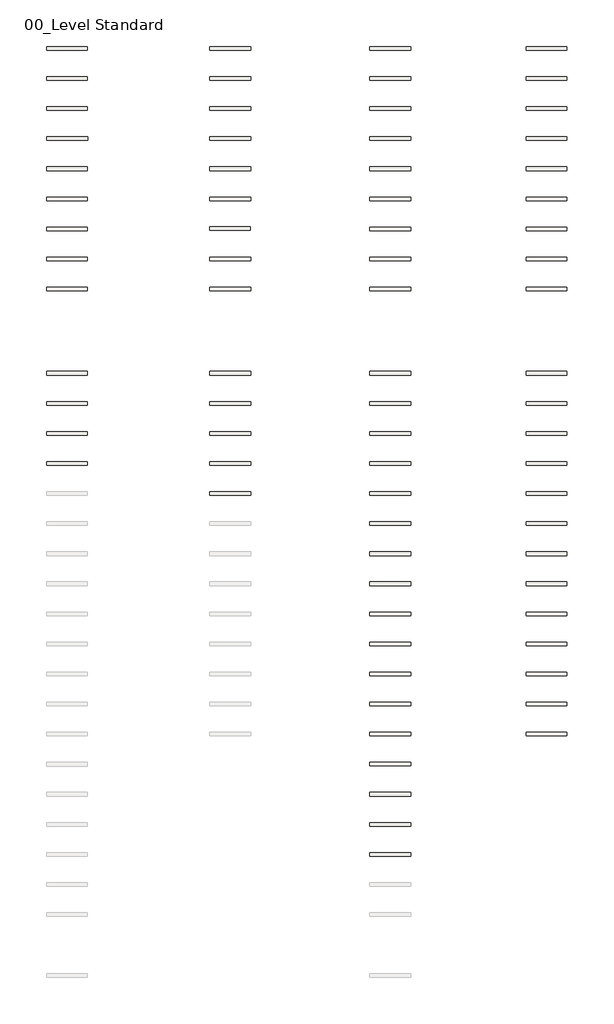
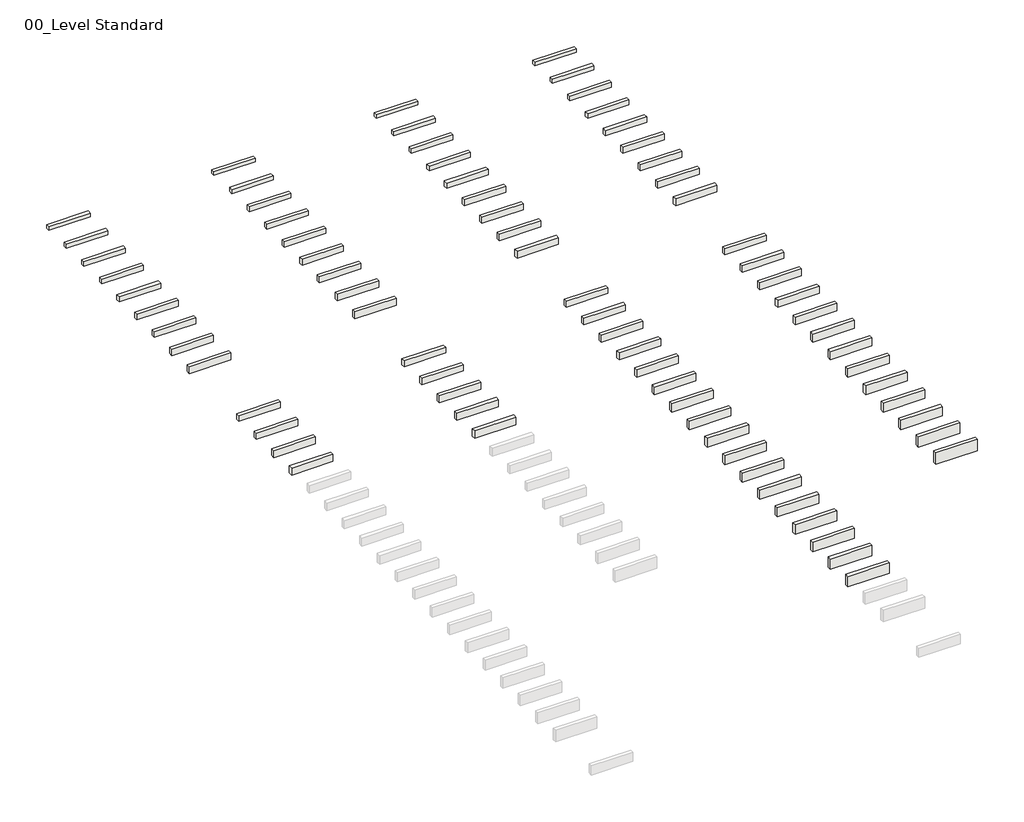
# One storey, part 3 of 3: 48 roofs, 27 slabs.
"""IFC4 building model written with IfcOpenShell, lengths in millimetres."""

from ifc_helpers import new_model, si_unit, frame, origin, origin_with_axes, place, context, project, spatial, polyline, outline, extrude, element, save

model = new_model("IFC4")

# Units and contexts
model_context = context("Model", 3, world=origin())
ifc_project = project(units=[si_unit("LENGTHUNIT", "METRE", prefix="MILLI")], contexts=[model_context])

# Site, building, storey
site = spatial("IfcSite", under=ifc_project)
building = spatial("IfcBuilding", under=site)
storey = spatial("IfcBuildingStorey", under=building, Name="00_Level Standard", Elevation=0.0)

# Roofs
placement = place(None, origin())
element("IfcRoof", 1, ObjectType="060-03s-1-TL", at=placement, inside=storey, context=model_context, shape_type="SweptSolid", body=[
    extrude(outline(polyline([(9291.3333321, 13446.5708866), (9971.3333321, 13446.5708866), (9971.3333321, 13386.5708866), (9291.3333321, 13386.5708866), (9291.3333321, 13446.5708866)])), origin_with_axes(), (0.0, 0.0, 1.0), 60.0),
])
element("IfcRoof", 2, ObjectType="060-03s-1-TT", at=placement, inside=storey, context=model_context, shape_type="SweptSolid", body=[
    extrude(outline(polyline([(11891.3333321, 13446.5708866), (12571.3333321, 13446.5708866), (12571.3333321, 13386.5708866), (11891.3333321, 13386.5708866), (11891.3333321, 13446.5708866)])), origin_with_axes(), (0.0, 0.0, 1.0), 60.0),
])
element("IfcRoof", 3, ObjectType="070-03s-1-TL", at=placement, inside=storey, context=model_context, shape_type="SweptSolid", body=[
    extrude(outline(polyline([(9291.3333321, 12946.5708866), (9971.3333321, 12946.5708866), (9971.3333321, 12886.5708866), (9291.3333321, 12886.5708866), (9291.3333321, 12946.5708866)])), origin_with_axes(), (0.0, 0.0, 1.0), 70.0),
])
element("IfcRoof", 4, ObjectType="070-03s-1-TT", at=placement, inside=storey, context=model_context, shape_type="SweptSolid", body=[
    extrude(outline(polyline([(11891.3333321, 12946.5708866), (12571.3333321, 12946.5708866), (12571.3333321, 12886.5708866), (11891.3333321, 12886.5708866), (11891.3333321, 12946.5708866)])), origin_with_axes(), (0.0, 0.0, 1.0), 70.0),
])
element("IfcRoof", 5, ObjectType="080-03s-1-TL", at=placement, inside=storey, context=model_context, shape_type="SweptSolid", body=[
    extrude(outline(polyline([(9291.3333321, 12446.5708866), (9971.3333321, 12446.5708866), (9971.3333321, 12386.5708866), (9291.3333321, 12386.5708866), (9291.3333321, 12446.5708866)])), origin_with_axes(), (0.0, 0.0, 1.0), 80.0),
])
element("IfcRoof", 6, ObjectType="080-03s-1-TT", at=placement, inside=storey, context=model_context, shape_type="SweptSolid", body=[
    extrude(outline(polyline([(11891.3333321, 12446.5708866), (12571.3333321, 12446.5708866), (12571.3333321, 12386.5708866), (11891.3333321, 12386.5708866), (11891.3333321, 12446.5708866)])), origin_with_axes(), (0.0, 0.0, 1.0), 80.0),
])
element("IfcRoof", 7, ObjectType="080-03s-2-TL", at=placement, inside=storey, context=model_context, shape_type="SweptSolid", body=[
    extrude(outline(polyline([(9291.3333321, 11946.5708866), (9971.3333321, 11946.5708866), (9971.3333321, 11886.5708866), (9291.3333321, 11886.5708866), (9291.3333321, 11946.5708866)])), origin_with_axes(), (0.0, 0.0, 1.0), 80.0),
])
element("IfcRoof", 8, ObjectType="080-03s-2-TT", at=placement, inside=storey, context=model_context, shape_type="SweptSolid", body=[
    extrude(outline(polyline([(11891.3333321, 11946.5708866), (12571.3333321, 11946.5708866), (12571.3333321, 11886.5708866), (11891.3333321, 11886.5708866), (11891.3333321, 11946.5708866)])), origin_with_axes(), (0.0, 0.0, 1.0), 80.0),
])
element("IfcRoof", 9, ObjectType="090-03s-1-TL", at=placement, inside=storey, context=model_context, shape_type="SweptSolid", body=[
    extrude(outline(polyline([(9291.3333321, 11446.5708866), (9971.3333321, 11446.5708866), (9971.3333321, 11386.5708866), (9291.3333321, 11386.5708866), (9291.3333321, 11446.5708866)])), origin_with_axes(), (0.0, 0.0, 1.0), 90.0),
])
element("IfcRoof", 10, ObjectType="090-03s-1-TT", at=placement, inside=storey, context=model_context, shape_type="SweptSolid", body=[
    extrude(outline(polyline([(11891.3333321, 11446.5708866), (12571.3333321, 11446.5708866), (12571.3333321, 11386.5708866), (11891.3333321, 11386.5708866), (11891.3333321, 11446.5708866)])), origin_with_axes(), (0.0, 0.0, 1.0), 90.0),
])
element("IfcRoof", 11, ObjectType="100-03s-1-TL", at=placement, inside=storey, context=model_context, shape_type="SweptSolid", body=[
    extrude(outline(polyline([(9291.3333321, 10946.5708866), (9971.3333321, 10946.5708866), (9971.3333321, 10886.5708866), (9291.3333321, 10886.5708866), (9291.3333321, 10946.5708866)])), origin_with_axes(), (0.0, 0.0, 1.0), 100.0),
])
element("IfcRoof", 12, ObjectType="100-03s-1-TT", at=placement, inside=storey, context=model_context, shape_type="SweptSolid", body=[
    extrude(outline(polyline([(11891.3333321, 10946.5708866), (12571.3333321, 10946.5708866), (12571.3333321, 10886.5708866), (11891.3333321, 10886.5708866), (11891.3333321, 10946.5708866)])), origin_with_axes(), (0.0, 0.0, 1.0), 100.0),
])
element("IfcRoof", 13, ObjectType="100-03s-2-TL", at=placement, inside=storey, context=model_context, shape_type="SweptSolid", body=[
    extrude(outline(polyline([(9291.3333321, 10446.5708866), (9971.3333321, 10446.5708866), (9971.3333321, 10386.5708866), (9291.3333321, 10386.5708866), (9291.3333321, 10446.5708866)])), origin_with_axes(), (0.0, 0.0, 1.0), 100.0),
])
element("IfcRoof", 14, ObjectType="100-03s-2-TT", at=placement, inside=storey, context=model_context, shape_type="SweptSolid", body=[
    extrude(outline(polyline([(11891.3333321, 10446.5708866), (12571.3333321, 10446.5708866), (12571.3333321, 10386.5708866), (11891.3333321, 10386.5708866), (11891.3333321, 10446.5708866)])), origin_with_axes(), (0.0, 0.0, 1.0), 100.0),
])
element("IfcRoof", 15, ObjectType="100-05s-1-TL", at=placement, inside=storey, context=model_context, shape_type="SweptSolid", body=[
    extrude(outline(polyline([(9291.3333321, 8046.5708866), (9971.3333321, 8046.5708866), (9971.3333321, 7986.5708866), (9291.3333321, 7986.5708866), (9291.3333321, 8046.5708866)])), origin_with_axes(), (0.0, 0.0, 1.0), 100.0),
])
element("IfcRoof", 16, ObjectType="100-05s-1-TT", at=placement, inside=storey, context=model_context, shape_type="SweptSolid", body=[
    extrude(outline(polyline([(11891.3333321, 8046.5708866), (12571.3333321, 8046.5708866), (12571.3333321, 7986.5708866), (11891.3333321, 7986.5708866), (11891.3333321, 8046.5708866)])), origin_with_axes(), (0.0, 0.0, 1.0), 100.0),
])
element("IfcRoof", 17, ObjectType="110-03s-1-TL", at=placement, inside=storey, context=model_context, shape_type="SweptSolid", body=[
    extrude(outline(polyline([(9291.3333321, 9946.5708866), (9971.3333321, 9946.5708866), (9971.3333321, 9886.5708866), (9291.3333321, 9886.5708866), (9291.3333321, 9946.5708866)])), origin_with_axes(), (0.0, 0.0, 1.0), 110.0),
])
element("IfcRoof", 18, ObjectType="110-03s-1-TT", at=placement, inside=storey, context=model_context, shape_type="SweptSolid", body=[
    extrude(outline(polyline([(11891.3333321, 9946.5708866), (12571.3333321, 9946.5708866), (12571.3333321, 9886.5708866), (11891.3333321, 9886.5708866), (11891.3333321, 9946.5708866)])), origin_with_axes(), (0.0, 0.0, 1.0), 110.0),
])
element("IfcRoof", 19, ObjectType="110-05s-1-TL", at=placement, inside=storey, context=model_context, shape_type="SweptSolid", body=[
    extrude(outline(polyline([(9291.3333321, 7546.5708866), (9971.3333321, 7546.5708866), (9971.3333321, 7486.5708866), (9291.3333321, 7486.5708866), (9291.3333321, 7546.5708866)])), origin_with_axes(), (0.0, 0.0, 1.0), 110.0),
])
element("IfcRoof", 20, ObjectType="110-05s-1-TT", at=placement, inside=storey, context=model_context, shape_type="SweptSolid", body=[
    extrude(outline(polyline([(11891.3333321, 7546.5708866), (12571.3333321, 7546.5708866), (12571.3333321, 7486.5708866), (11891.3333321, 7486.5708866), (11891.3333321, 7546.5708866)])), origin_with_axes(), (0.0, 0.0, 1.0), 110.0),
])
element("IfcRoof", 21, ObjectType="120-03s-1-TL", at=placement, inside=storey, context=model_context, shape_type="SweptSolid", body=[
    extrude(outline(polyline([(9291.3333321, 9446.5708866), (9971.3333321, 9446.5708866), (9971.3333321, 9386.5708866), (9291.3333321, 9386.5708866), (9291.3333321, 9446.5708866)])), origin_with_axes(), (0.0, 0.0, 1.0), 120.0),
])
element("IfcRoof", 22, ObjectType="120-03s-1-TT", at=placement, inside=storey, context=model_context, shape_type="SweptSolid", body=[
    extrude(outline(polyline([(11891.3333321, 9446.5708866), (12571.3333321, 9446.5708866), (12571.3333321, 9386.5708866), (11891.3333321, 9386.5708866), (11891.3333321, 9446.5708866)])), origin_with_axes(), (0.0, 0.0, 1.0), 120.0),
])
element("IfcRoof", 23, ObjectType="120-05s-1-TL", at=placement, inside=storey, context=model_context, shape_type="SweptSolid", body=[
    extrude(outline(polyline([(9291.3333321, 7046.5708866), (9971.3333321, 7046.5708866), (9971.3333321, 6986.5708866), (9291.3333321, 6986.5708866), (9291.3333321, 7046.5708866)])), origin_with_axes(), (0.0, 0.0, 1.0), 120.0),
])
element("IfcRoof", 24, ObjectType="120-05s-1-TT", at=placement, inside=storey, context=model_context, shape_type="SweptSolid", body=[
    extrude(outline(polyline([(11891.3333321, 7046.5708866), (12571.3333321, 7046.5708866), (12571.3333321, 6986.5708866), (11891.3333321, 6986.5708866), (11891.3333321, 7046.5708866)])), origin_with_axes(), (0.0, 0.0, 1.0), 120.0),
])
element("IfcRoof", 25, ObjectType="120-05s-2-TL", at=placement, inside=storey, context=model_context, shape_type="SweptSolid", body=[
    extrude(outline(polyline([(9291.3333321, 6546.5708866), (9971.3333321, 6546.5708866), (9971.3333321, 6486.5708866), (9291.3333321, 6486.5708866), (9291.3333321, 6546.5708866)])), origin_with_axes(), (0.0, 0.0, 1.0), 120.0),
])
element("IfcRoof", 26, ObjectType="120-05s-2-TT", at=placement, inside=storey, context=model_context, shape_type="SweptSolid", body=[
    extrude(outline(polyline([(11891.3333321, 6546.5708866), (12571.3333321, 6546.5708866), (12571.3333321, 6486.5708866), (11891.3333321, 6486.5708866), (11891.3333321, 6546.5708866)])), origin_with_axes(), (0.0, 0.0, 1.0), 120.0),
])
element("IfcRoof", 27, ObjectType="130-05s-1-TL", at=placement, inside=storey, context=model_context, shape_type="SweptSolid", body=[
    extrude(outline(polyline([(9291.3333321, 6046.5708866), (9971.3333321, 6046.5708866), (9971.3333321, 5986.5708866), (9291.3333321, 5986.5708866), (9291.3333321, 6046.5708866)])), origin_with_axes(), (0.0, 0.0, 1.0), 130.0),
])
element("IfcRoof", 28, ObjectType="130-05s-1-TT", at=placement, inside=storey, context=model_context, shape_type="SweptSolid", body=[
    extrude(outline(polyline([(11891.3333321, 6046.5708866), (12571.3333321, 6046.5708866), (12571.3333321, 5986.5708866), (11891.3333321, 5986.5708866), (11891.3333321, 6046.5708866)])), origin_with_axes(), (0.0, 0.0, 1.0), 130.0),
])
element("IfcRoof", 29, ObjectType="130-05s-2-TL", at=placement, inside=storey, context=model_context, shape_type="SweptSolid", body=[
    extrude(outline(polyline([(9291.3333321, 5546.5708866), (9971.3333321, 5546.5708866), (9971.3333321, 5486.5708866), (9291.3333321, 5486.5708866), (9291.3333321, 5546.5708866)])), origin_with_axes(), (0.0, 0.0, 1.0), 130.0),
])
element("IfcRoof", 30, ObjectType="140-05s-1-TL", at=placement, inside=storey, context=model_context, shape_type="SweptSolid", body=[
    extrude(outline(polyline([(9291.3333321, 5046.5708866), (9971.3333321, 5046.5708866), (9971.3333321, 4986.5708866), (9291.3333321, 4986.5708866), (9291.3333321, 5046.5708866)])), origin_with_axes(), (0.0, 0.0, 1.0), 140.0),
])
element("IfcRoof", 31, ObjectType="140-05s-1-TT", at=placement, inside=storey, context=model_context, shape_type="SweptSolid", body=[
    extrude(outline(polyline([(11891.3333321, 5546.5708866), (12571.3333321, 5546.5708866), (12571.3333321, 5486.5708866), (11891.3333321, 5486.5708866), (11891.3333321, 5546.5708866)])), origin_with_axes(), (0.0, 0.0, 1.0), 140.0),
])
element("IfcRoof", 32, ObjectType="140-05s-2-TL", at=placement, inside=storey, context=model_context, shape_type="SweptSolid", body=[
    extrude(outline(polyline([(9291.3333321, 4546.5708866), (9971.3333321, 4546.5708866), (9971.3333321, 4486.5708866), (9291.3333321, 4486.5708866), (9291.3333321, 4546.5708866)])), origin_with_axes(), (0.0, 0.0, 1.0), 140.0),
])
element("IfcRoof", 33, ObjectType="140-05s-2-TT", at=placement, inside=storey, context=model_context, shape_type="SweptSolid", body=[
    extrude(outline(polyline([(11891.3333321, 5046.5708866), (12571.3333321, 5046.5708866), (12571.3333321, 4986.5708866), (11891.3333321, 4986.5708866), (11891.3333321, 5046.5708866)])), origin_with_axes(), (0.0, 0.0, 1.0), 140.0),
])
element("IfcRoof", 34, ObjectType="140-05s-3-TT", at=placement, inside=storey, context=model_context, shape_type="SweptSolid", body=[
    extrude(outline(polyline([(11891.3333321, 4546.5708866), (12571.3333321, 4546.5708866), (12571.3333321, 4486.5708866), (11891.3333321, 4486.5708866), (11891.3333321, 4546.5708866)])), origin_with_axes(), (0.0, 0.0, 1.0), 140.0),
])
element("IfcRoof", 35, ObjectType="150-05s-1-TL", at=placement, inside=storey, context=model_context, shape_type="SweptSolid", body=[
    extrude(outline(polyline([(9291.3333321, 4046.5708866), (9971.3333321, 4046.5708866), (9971.3333321, 3986.5708866), (9291.3333321, 3986.5708866), (9291.3333321, 4046.5708866)])), origin_with_axes(), (0.0, 0.0, 1.0), 150.0),
])
element("IfcRoof", 36, ObjectType="150-05s-1-TT", at=placement, inside=storey, context=model_context, shape_type="SweptSolid", body=[
    extrude(outline(polyline([(11891.3333321, 4046.5708866), (12571.3333321, 4046.5708866), (12571.3333321, 3986.5708866), (11891.3333321, 3986.5708866), (11891.3333321, 4046.5708866)])), origin_with_axes(), (0.0, 0.0, 1.0), 150.0),
])
element("IfcRoof", 37, ObjectType="150-05s-2-TL", at=placement, inside=storey, context=model_context, shape_type="SweptSolid", body=[
    extrude(outline(polyline([(9291.3333321, 3546.5708866), (9971.3333321, 3546.5708866), (9971.3333321, 3486.5708866), (9291.3333321, 3486.5708866), (9291.3333321, 3546.5708866)])), origin_with_axes(), (0.0, 0.0, 1.0), 150.0),
])
element("IfcRoof", 38, ObjectType="150-05s-2-TT", at=placement, inside=storey, context=model_context, shape_type="SweptSolid", body=[
    extrude(outline(polyline([(11891.3333321, 3546.5708866), (12571.3333321, 3546.5708866), (12571.3333321, 3486.5708866), (11891.3333321, 3486.5708866), (11891.3333321, 3546.5708866)])), origin_with_axes(), (0.0, 0.0, 1.0), 150.0),
])
element("IfcRoof", 39, ObjectType="150-05s-3-TL", at=placement, inside=storey, context=model_context, shape_type="SweptSolid", body=[
    extrude(outline(polyline([(9291.3333321, 3046.5708866), (9971.3333321, 3046.5708866), (9971.3333321, 2986.5708866), (9291.3333321, 2986.5708866), (9291.3333321, 3046.5708866)])), origin_with_axes(), (0.0, 0.0, 1.0), 150.0),
])
element("IfcRoof", 40, ObjectType="160-05s-1-TL", at=placement, inside=storey, context=model_context, shape_type="SweptSolid", body=[
    extrude(outline(polyline([(9291.3333321, 2546.5708866), (9971.3333321, 2546.5708866), (9971.3333321, 2486.5708866), (9291.3333321, 2486.5708866), (9291.3333321, 2546.5708866)])), origin_with_axes(), (0.0, 0.0, 1.0), 160.0),
])
element("IfcRoof", 41, ObjectType="160-05s-1-TT", at=placement, inside=storey, context=model_context, shape_type="SweptSolid", body=[
    extrude(outline(polyline([(11891.3333321, 3046.5708866), (12571.3333321, 3046.5708866), (12571.3333321, 2986.5708866), (11891.3333321, 2986.5708866), (11891.3333321, 3046.5708866)])), origin_with_axes(), (0.0, 0.0, 1.0), 160.0),
])
element("IfcRoof", 42, ObjectType="160-05s-2-TL", at=placement, inside=storey, context=model_context, shape_type="SweptSolid", body=[
    extrude(outline(polyline([(9291.3333321, 2046.5708866), (9971.3333321, 2046.5708866), (9971.3333321, 1986.5708866), (9291.3333321, 1986.5708866), (9291.3333321, 2046.5708866)])), origin_with_axes(), (0.0, 0.0, 1.0), 160.0),
])
element("IfcRoof", 43, ObjectType="170-05s-1-TL", at=placement, inside=storey, context=model_context, shape_type="SweptSolid", body=[
    extrude(outline(polyline([(9291.3333321, 1546.9892277), (9971.3333321, 1546.9892277), (9971.3333321, 1486.9892277), (9291.3333321, 1486.9892277), (9291.3333321, 1546.9892277)])), origin_with_axes(), (0.0, 0.0, 1.0), 170.0),
])
element("IfcRoof", 44, ObjectType="170-05s-2-TL", at=placement, inside=storey, context=model_context, shape_type="SweptSolid", body=[
    extrude(outline(polyline([(9291.3333321, 1046.9892277), (9971.3333321, 1046.9892277), (9971.3333321, 986.9892277), (9291.3333321, 986.9892277), (9291.3333321, 1046.9892277)])), origin_with_axes(), (0.0, 0.0, 1.0), 170.0),
])
element("IfcRoof", 45, ObjectType="180-05s-1-TL", at=placement, inside=storey, context=model_context, shape_type="SweptSolid", body=[
    extrude(outline(polyline([(9291.3333321, 546.5708866), (9971.3333321, 546.5708866), (9971.3333321, 486.5708866), (9291.3333321, 486.5708866), (9291.3333321, 546.5708866)])), origin_with_axes(), (0.0, 0.0, 1.0), 180.0),
])
element("IfcRoof", 46, ObjectType="180-05s-1-TT", at=placement, inside=storey, context=model_context, shape_type="SweptSolid", body=[
    extrude(outline(polyline([(11891.3333321, 2546.5708866), (12571.3333321, 2546.5708866), (12571.3333321, 2486.5708866), (11891.3333321, 2486.5708866), (11891.3333321, 2546.5708866)])), origin_with_axes(), (0.0, 0.0, 1.0), 180.0),
])
element("IfcRoof", 47, ObjectType="180-05s-2-TL", at=placement, inside=storey, context=model_context, shape_type="SweptSolid", body=[
    extrude(outline(polyline([(9291.3333321, 46.5708866), (9971.3333321, 46.5708866), (9971.3333321, -13.4291134), (9291.3333321, -13.4291134), (9291.3333321, 46.5708866)])), origin_with_axes(), (0.0, 0.0, 1.0), 180.0),
])
element("IfcRoof", 48, ObjectType="200-05s-1-TT", at=placement, inside=storey, context=model_context, shape_type="SweptSolid", body=[
    extrude(outline(polyline([(11891.3333321, 2046.5708866), (12571.3333321, 2046.5708866), (12571.3333321, 1986.5708866), (11891.3333321, 1986.5708866), (11891.3333321, 2046.5708866)])), origin_with_axes(), (0.0, 0.0, 1.0), 200.0),
])

# Slabs
element("IfcSlab", 49, ObjectType="060-03s-1-TL", at=placement, inside=storey, context=model_context, shape_type="SweptSolid", body=[
    extrude(outline(polyline([(3918.8125379, 13446.5708866), (4598.8125379, 13446.5708866), (4598.8125379, 13386.5708866), (3918.8125379, 13386.5708866), (3918.8125379, 13446.5708866)])), frame((0.0, 0.0, -60.0), z_axis=(0.0, 0.0, 1.0), x_axis=(1.0, 0.0, 0.0)), (0.0, 0.0, 1.0), 60.0),
])
element("IfcSlab", 50, ObjectType="060-03s-1-TT", at=placement, inside=storey, context=model_context, shape_type="SweptSolid", body=[
    extrude(outline(polyline([(6631.3333321, 13448.2461388), (7311.3333321, 13448.2461388), (7311.3333321, 13388.2461388), (6631.3333321, 13388.2461388), (6631.3333321, 13448.2461388)])), frame((0.0, 0.0, -60.0), z_axis=(0.0, 0.0, 1.0), x_axis=(1.0, 0.0, 0.0)), (0.0, 0.0, 1.0), 60.0),
])
element("IfcSlab", 51, ObjectType="070-03s-1-TL", at=placement, inside=storey, context=model_context, shape_type="SweptSolid", body=[
    extrude(outline(polyline([(3918.8125379, 12946.5708866), (4598.8125379, 12946.5708866), (4598.8125379, 12886.5708866), (3918.8125379, 12886.5708866), (3918.8125379, 12946.5708866)])), frame((0.0, 0.0, -70.0), z_axis=(0.0, 0.0, 1.0), x_axis=(1.0, 0.0, 0.0)), (0.0, 0.0, 1.0), 70.0),
])
element("IfcSlab", 52, ObjectType="070-03s-1-TT", at=placement, inside=storey, context=model_context, shape_type="SweptSolid", body=[
    extrude(outline(polyline([(6631.3333321, 12946.5708866), (7311.3333321, 12946.5708866), (7311.3333321, 12886.5708866), (6631.3333321, 12886.5708866), (6631.3333321, 12946.5708866)])), frame((0.0, 0.0, -70.0), z_axis=(0.0, 0.0, 1.0), x_axis=(1.0, 0.0, 0.0)), (0.0, 0.0, 1.0), 70.0),
])
element("IfcSlab", 53, ObjectType="080-03s-1-TL", at=placement, inside=storey, context=model_context, shape_type="SweptSolid", body=[
    extrude(outline(polyline([(3918.8125379, 12446.5708866), (4598.8125379, 12446.5708866), (4598.8125379, 12386.5708866), (3918.8125379, 12386.5708866), (3918.8125379, 12446.5708866)])), frame((0.0, 0.0, -80.0), z_axis=(0.0, 0.0, 1.0), x_axis=(1.0, 0.0, 0.0)), (0.0, 0.0, 1.0), 80.0),
])
element("IfcSlab", 54, ObjectType="080-03s-1-TT", at=placement, inside=storey, context=model_context, shape_type="SweptSolid", body=[
    extrude(outline(polyline([(6631.3333321, 12446.5708866), (7311.3333321, 12446.5708866), (7311.3333321, 12386.5708866), (6631.3333321, 12386.5708866), (6631.3333321, 12446.5708866)])), frame((0.0, 0.0, -80.0), z_axis=(0.0, 0.0, 1.0), x_axis=(1.0, 0.0, 0.0)), (0.0, 0.0, 1.0), 80.0),
])
element("IfcSlab", 55, ObjectType="080-03s-2-TL", at=placement, inside=storey, context=model_context, shape_type="SweptSolid", body=[
    extrude(outline(polyline([(3923.8125379, 11946.5708866), (4603.8125379, 11946.5708866), (4603.8125379, 11886.5708866), (3923.8125379, 11886.5708866), (3923.8125379, 11946.5708866)])), frame((0.0, 0.0, -80.0), z_axis=(0.0, 0.0, 1.0), x_axis=(1.0, 0.0, 0.0)), (0.0, 0.0, 1.0), 80.0),
])
element("IfcSlab", 56, ObjectType="080-03s-2-TT", at=placement, inside=storey, context=model_context, shape_type="SweptSolid", body=[
    extrude(outline(polyline([(6631.3333321, 11946.5708866), (7311.3333321, 11946.5708866), (7311.3333321, 11886.5708866), (6631.3333321, 11886.5708866), (6631.3333321, 11946.5708866)])), frame((0.0, 0.0, -80.0), z_axis=(0.0, 0.0, 1.0), x_axis=(1.0, 0.0, 0.0)), (0.0, 0.0, 1.0), 80.0),
])
element("IfcSlab", 57, ObjectType="090-03s-1-TL", at=placement, inside=storey, context=model_context, shape_type="SweptSolid", body=[
    extrude(outline(polyline([(3918.8125379, 11446.5708866), (4598.8125379, 11446.5708866), (4598.8125379, 11386.5708866), (3918.8125379, 11386.5708866), (3918.8125379, 11446.5708866)])), frame((0.0, 0.0, -90.0), z_axis=(0.0, 0.0, 1.0), x_axis=(1.0, 0.0, 0.0)), (0.0, 0.0, 1.0), 90.0),
])
element("IfcSlab", 58, ObjectType="090-03s-1-TT", at=placement, inside=storey, context=model_context, shape_type="SweptSolid", body=[
    extrude(outline(polyline([(6631.3333321, 11446.5708866), (7311.3333321, 11446.5708866), (7311.3333321, 11386.5708866), (6631.3333321, 11386.5708866), (6631.3333321, 11446.5708866)])), frame((0.0, 0.0, -90.0), z_axis=(0.0, 0.0, 1.0), x_axis=(1.0, 0.0, 0.0)), (0.0, 0.0, 1.0), 90.0),
])
element("IfcSlab", 59, ObjectType="100-03s-1-TL", at=placement, inside=storey, context=model_context, shape_type="SweptSolid", body=[
    extrude(outline(polyline([(3918.8125379, 10946.5708866), (4598.8125379, 10946.5708866), (4598.8125379, 10886.5708866), (3918.8125379, 10886.5708866), (3918.8125379, 10946.5708866)])), frame((0.0, 0.0, -100.0), z_axis=(0.0, 0.0, 1.0), x_axis=(1.0, 0.0, 0.0)), (0.0, 0.0, 1.0), 100.0),
])
element("IfcSlab", 60, ObjectType="100-03s-1-TT", at=placement, inside=storey, context=model_context, shape_type="SweptSolid", body=[
    extrude(outline(polyline([(6631.3333321, 10946.5708866), (7311.3333321, 10946.5708866), (7311.3333321, 10886.5708866), (6631.3333321, 10886.5708866), (6631.3333321, 10946.5708866)])), frame((0.0, 0.0, -100.0), z_axis=(0.0, 0.0, 1.0), x_axis=(1.0, 0.0, 0.0)), (0.0, 0.0, 1.0), 100.0),
])
element("IfcSlab", 61, ObjectType="100-03s-2-TL", at=placement, inside=storey, context=model_context, shape_type="SweptSolid", body=[
    extrude(outline(polyline([(3918.8125379, 10446.5708866), (4598.8125379, 10446.5708866), (4598.8125379, 10386.5708866), (3918.8125379, 10386.5708866), (3918.8125379, 10446.5708866)])), frame((0.0, 0.0, -100.0), z_axis=(0.0, 0.0, 1.0), x_axis=(1.0, 0.0, 0.0)), (0.0, 0.0, 1.0), 100.0),
])
element("IfcSlab", 62, ObjectType="100-03s-2-TT", at=placement, inside=storey, context=model_context, shape_type="SweptSolid", body=[
    extrude(outline(polyline([(6629.0759869, 10450.1064205), (7309.0759869, 10450.1064205), (7309.0759869, 10390.1064205), (6629.0759869, 10390.1064205), (6629.0759869, 10450.1064205)])), frame((0.0, 0.0, -100.0), z_axis=(0.0, 0.0, 1.0), x_axis=(1.0, 0.0, 0.0)), (0.0, 0.0, 1.0), 100.0),
])
element("IfcSlab", 63, ObjectType="100-05s-1-TL", at=placement, inside=storey, context=model_context, shape_type="SweptSolid", body=[
    extrude(outline(polyline([(3918.8125379, 8046.5708866), (4598.8125379, 8046.5708866), (4598.8125379, 7986.5708866), (3918.8125379, 7986.5708866), (3918.8125379, 8046.5708866)])), frame((0.0, 0.0, -100.0), z_axis=(0.0, 0.0, 1.0), x_axis=(1.0, 0.0, 0.0)), (0.0, 0.0, 1.0), 100.0),
])
element("IfcSlab", 64, ObjectType="100-05s-1-TT", at=placement, inside=storey, context=model_context, shape_type="SweptSolid", body=[
    extrude(outline(polyline([(6631.3333321, 8046.5708866), (7311.3333321, 8046.5708866), (7311.3333321, 7986.5708866), (6631.3333321, 7986.5708866), (6631.3333321, 8046.5708866)])), frame((0.0, 0.0, -100.0), z_axis=(0.0, 0.0, 1.0), x_axis=(1.0, 0.0, 0.0)), (0.0, 0.0, 1.0), 100.0),
])
element("IfcSlab", 65, ObjectType="110-03s-1-TL", at=placement, inside=storey, context=model_context, shape_type="SweptSolid", body=[
    extrude(outline(polyline([(3918.8125379, 9946.5708866), (4598.8125379, 9946.5708866), (4598.8125379, 9886.5708866), (3918.8125379, 9886.5708866), (3918.8125379, 9946.5708866)])), frame((0.0, 0.0, -110.0), z_axis=(0.0, 0.0, 1.0), x_axis=(1.0, 0.0, 0.0)), (0.0, 0.0, 1.0), 110.0),
])
element("IfcSlab", 66, ObjectType="110-03s-1-TT", at=placement, inside=storey, context=model_context, shape_type="SweptSolid", body=[
    extrude(outline(polyline([(6631.3333321, 9946.5708866), (7311.3333321, 9946.5708866), (7311.3333321, 9886.5708866), (6631.3333321, 9886.5708866), (6631.3333321, 9946.5708866)])), frame((0.0, 0.0, -110.0), z_axis=(0.0, 0.0, 1.0), x_axis=(1.0, 0.0, 0.0)), (0.0, 0.0, 1.0), 110.0),
])
element("IfcSlab", 67, ObjectType="110-05s-1-TL", at=placement, inside=storey, context=model_context, shape_type="SweptSolid", body=[
    extrude(outline(polyline([(3918.8125379, 7546.5708866), (4598.8125379, 7546.5708866), (4598.8125379, 7486.5708866), (3918.8125379, 7486.5708866), (3918.8125379, 7546.5708866)])), frame((0.0, 0.0, -110.0), z_axis=(0.0, 0.0, 1.0), x_axis=(1.0, 0.0, 0.0)), (0.0, 0.0, 1.0), 110.0),
])
element("IfcSlab", 68, ObjectType="110-05s-1-TT", at=placement, inside=storey, context=model_context, shape_type="SweptSolid", body=[
    extrude(outline(polyline([(6631.3333321, 7546.5708866), (7311.3333321, 7546.5708866), (7311.3333321, 7486.5708866), (6631.3333321, 7486.5708866), (6631.3333321, 7546.5708866)])), frame((0.0, 0.0, -110.0), z_axis=(0.0, 0.0, 1.0), x_axis=(1.0, 0.0, 0.0)), (0.0, 0.0, 1.0), 110.0),
])
element("IfcSlab", 69, ObjectType="120-03s-1-TL", at=placement, inside=storey, context=model_context, shape_type="SweptSolid", body=[
    extrude(outline(polyline([(3918.8125379, 9446.5708866), (4598.8125379, 9446.5708866), (4598.8125379, 9386.5708866), (3918.8125379, 9386.5708866), (3918.8125379, 9446.5708866)])), frame((0.0, 0.0, -120.0), z_axis=(0.0, 0.0, 1.0), x_axis=(1.0, 0.0, 0.0)), (0.0, 0.0, 1.0), 120.0),
])
element("IfcSlab", 70, ObjectType="120-03s-1-TT", at=placement, inside=storey, context=model_context, shape_type="SweptSolid", body=[
    extrude(outline(polyline([(6631.3333321, 9446.5708866), (7311.3333321, 9446.5708866), (7311.3333321, 9386.5708866), (6631.3333321, 9386.5708866), (6631.3333321, 9446.5708866)])), frame((0.0, 0.0, -120.0), z_axis=(0.0, 0.0, 1.0), x_axis=(1.0, 0.0, 0.0)), (0.0, 0.0, 1.0), 120.0),
])
element("IfcSlab", 71, ObjectType="120-05s-1-TL", at=placement, inside=storey, context=model_context, shape_type="SweptSolid", body=[
    extrude(outline(polyline([(3918.8125379, 7046.5708866), (4598.8125379, 7046.5708866), (4598.8125379, 6986.5708866), (3918.8125379, 6986.5708866), (3918.8125379, 7046.5708866)])), frame((0.0, 0.0, -120.0), z_axis=(0.0, 0.0, 1.0), x_axis=(1.0, 0.0, 0.0)), (0.0, 0.0, 1.0), 120.0),
])
element("IfcSlab", 72, ObjectType="120-05s-1-TT", at=placement, inside=storey, context=model_context, shape_type="SweptSolid", body=[
    extrude(outline(polyline([(6631.3333321, 7046.5708866), (7311.3333321, 7046.5708866), (7311.3333321, 6986.5708866), (6631.3333321, 6986.5708866), (6631.3333321, 7046.5708866)])), frame((0.0, 0.0, -120.0), z_axis=(0.0, 0.0, 1.0), x_axis=(1.0, 0.0, 0.0)), (0.0, 0.0, 1.0), 120.0),
])
element("IfcSlab", 73, ObjectType="120-05s-2-TL", at=placement, inside=storey, context=model_context, shape_type="SweptSolid", body=[
    extrude(outline(polyline([(3918.8125379, 6546.5708866), (4598.8125379, 6546.5708866), (4598.8125379, 6486.5708866), (3918.8125379, 6486.5708866), (3918.8125379, 6546.5708866)])), frame((0.0, 0.0, -120.0), z_axis=(0.0, 0.0, 1.0), x_axis=(1.0, 0.0, 0.0)), (0.0, 0.0, 1.0), 120.0),
])
element("IfcSlab", 74, ObjectType="120-05s-2-TT", at=placement, inside=storey, context=model_context, shape_type="SweptSolid", body=[
    extrude(outline(polyline([(6631.3333321, 6546.5708866), (7311.3333321, 6546.5708866), (7311.3333321, 6486.5708866), (6631.3333321, 6486.5708866), (6631.3333321, 6546.5708866)])), frame((0.0, 0.0, -120.0), z_axis=(0.0, 0.0, 1.0), x_axis=(1.0, 0.0, 0.0)), (0.0, 0.0, 1.0), 120.0),
])
element("IfcSlab", 75, ObjectType="130-05s-1-TT", at=placement, inside=storey, context=model_context, shape_type="SweptSolid", body=[
    extrude(outline(polyline([(6631.3333321, 6046.5708866), (7311.3333321, 6046.5708866), (7311.3333321, 5986.5708866), (6631.3333321, 5986.5708866), (6631.3333321, 6046.5708866)])), frame((0.0, 0.0, -130.0), z_axis=(0.0, 0.0, 1.0), x_axis=(1.0, 0.0, 0.0)), (0.0, 0.0, 1.0), 130.0),
])

save(model, "model.ifc")
